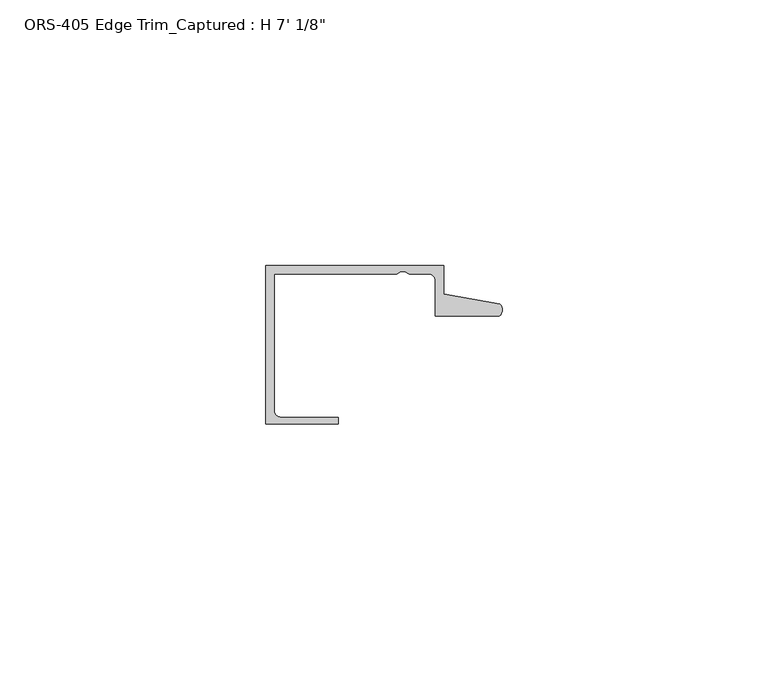
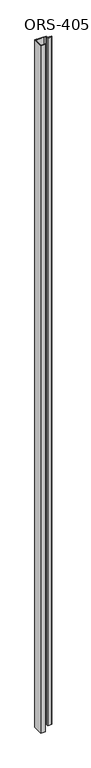
"""IFC4 building model written with IfcOpenShell, lengths in millimetres: proxy geometry."""

import ifcopenshell
import ifcopenshell.guid

model = None  # the IFC model being written
_history = None  # IfcOwnerHistory: only IFC2X3 demands one
_inside = {}  # id of a spatial element -> (the spatial element, [elements in it])
_under = {}  # id of a project, library or spatial element -> (it, [spatial elements below it])
_declared = {}  # id of a project -> (the project, [libraries it declares])
_typed = {}  # id of a type object -> (the type object, [elements of that type])
_made_of = {}  # id of a material, layer set ... -> (it, [elements and type objects made of it])


def new_model(schema):
    """Start an empty IFC model of exactly this schema.

    Asked for "IFC4X3", IfcOpenShell would pick the latest addendum, in which some entities
    have other attributes; the version numbers below select the first issue.
    IFC2X3 requires an IfcOwnerHistory on every rooted entity: one is made here for all.
    """
    global model, _history
    if schema == "IFC4X3":
        model = ifcopenshell.file(schema_version=(4, 3, 0, 0))
    else:
        model = ifcopenshell.file(schema=schema)
    _inside.clear()
    _under.clear()
    _declared.clear()
    _typed.clear()
    _made_of.clear()
    _history = None
    if model.schema == "IFC2X3":
        org = make("IfcOrganization", Name="unknown")
        user = make(
            "IfcPersonAndOrganization",
            ThePerson=make("IfcPerson", FamilyName="unknown"),
            TheOrganization=org,
        )
        app = make(
            "IfcApplication",
            ApplicationDeveloper=org,
            Version="unknown",
            ApplicationFullName="unknown",
            ApplicationIdentifier="unknown",
        )
        _history = make(
            "IfcOwnerHistory",
            OwningUser=user,
            OwningApplication=app,
            ChangeAction="ADDED",
            CreationDate=0,
        )
    return model


def make(cls, **values):
    """One entity of the class cls with the attributes given. An attribute that is None is left unset."""
    return model.create_entity(
        cls, **{name: value for name, value in values.items() if value is not None}
    )


def rooted(cls, **values):
    """An entity with a GlobalId (a new one), such as an element, a storey or a relation."""
    return make(cls, GlobalId=ifcopenshell.guid.new(), OwnerHistory=_history, **values)


def si_unit(unit_type, name, prefix=None):
    """IfcSIUnit, for example si_unit("LENGTHUNIT", "METRE", prefix="MILLI")."""
    return make("IfcSIUnit", UnitType=unit_type, Prefix=prefix, Name=name)


def assignment(units):
    """IfcUnitAssignment: the units of a project."""
    return None if units is None else make("IfcUnitAssignment", Units=units)


def point(xyz):
    """IfcCartesianPoint."""
    return None if xyz is None else make("IfcCartesianPoint", Coordinates=xyz)


def direction(xyz):
    """IfcDirection."""
    return None if xyz is None else make("IfcDirection", DirectionRatios=xyz)


def frame(location, z_axis=None, x_axis=None):
    """IfcAxis2Placement3D, a coordinate frame: its origin and axes. An axis left out is left unset."""
    return make(
        "IfcAxis2Placement3D",
        Location=point(location),
        Axis=direction(z_axis),
        RefDirection=direction(x_axis),
    )


def frame_2d(location, x_axis=None):
    """IfcAxis2Placement2D, a coordinate frame in the plane: its origin and x axis."""
    return make(
        "IfcAxis2Placement2D", Location=point(location), RefDirection=direction(x_axis)
    )


def origin():
    """The frame at (0, 0, 0) with its axes left unset."""
    return frame((0.0, 0.0, 0.0))


def origin_with_axes():
    """The frame at (0, 0, 0) with the z axis (0, 0, 1) and the x axis (1, 0, 0) written out."""
    return frame((0.0, 0.0, 0.0), z_axis=(0.0, 0.0, 1.0), x_axis=(1.0, 0.0, 0.0))


def place(relative_to, where):
    """IfcLocalPlacement: puts the frame where relative to a parent placement (None: the world)."""
    return make(
        "IfcLocalPlacement", PlacementRelTo=relative_to, RelativePlacement=where
    )


def context(
    kind, dimensions, precision=None, world=None, true_north=None, identifier=None
):
    """IfcGeometricRepresentationContext, for example the 3D "Model" context."""
    return make(
        "IfcGeometricRepresentationContext",
        ContextIdentifier=identifier,
        ContextType=kind,
        CoordinateSpaceDimension=dimensions,
        Precision=precision,
        WorldCoordinateSystem=world,
        TrueNorth=true_north,
    )


def project(units=None, contexts=None):
    """IfcProject with its units and contexts."""
    return rooted(
        "IfcProject",
        Name="project",
        RepresentationContexts=contexts,
        UnitsInContext=assignment(units),
    )


def spatial(cls, under=None, at=None, **own):
    """A site, building, storey or space (cls), placed at a placement, below another one or the project."""
    s = rooted(cls, ObjectPlacement=at, **own)
    if under is not None:
        _under.setdefault(under.id(), (under, []))[1].append(s)
    return s


def polyline(points):
    """IfcPolyline through the points."""
    return make("IfcPolyline", Points=[point(p) for p in points])


def circle_curve(where, radius):
    """IfcCircle in the frame where."""
    return make("IfcCircle", Position=where, Radius=radius)


def trimmed(basis, trim1, trim2, sense, master):
    """IfcTrimmedCurve: the piece of a basis curve between two trims."""
    return make(
        "IfcTrimmedCurve",
        BasisCurve=basis,
        Trim1=trim1,
        Trim2=trim2,
        SenseAgreement=sense,
        MasterRepresentation=master,
    )


def segment(curve, same_sense, transition):
    """IfcCompositeCurveSegment."""
    return make(
        "IfcCompositeCurveSegment",
        Transition=transition,
        SameSense=same_sense,
        ParentCurve=curve,
    )


def composite_curve(segments, self_intersect=None):
    """IfcCompositeCurve: segments joined end to end."""
    return make("IfcCompositeCurve", Segments=segments, SelfIntersect=self_intersect)


def outline(outer, holes=None, kind="AREA"):
    """IfcArbitraryClosedProfileDef: a profile drawn as a closed curve; with holes, ...WithVoids."""
    if holes is None:
        return make("IfcArbitraryClosedProfileDef", ProfileType=kind, OuterCurve=outer)
    return make(
        "IfcArbitraryProfileDefWithVoids",
        ProfileType=kind,
        OuterCurve=outer,
        InnerCurves=holes,
    )


def extrude(swept, where, along, depth):
    """IfcExtrudedAreaSolid: the profile swept, set in the frame where, extruded along a direction by depth."""
    return make(
        "IfcExtrudedAreaSolid",
        SweptArea=swept,
        Position=where,
        ExtrudedDirection=direction(along),
        Depth=depth,
    )


def shape(context_of_items, identifier, shape_type, items):
    """IfcShapeRepresentation: the items that make up one representation, for example the "Body"."""
    return make(
        "IfcShapeRepresentation",
        ContextOfItems=context_of_items,
        RepresentationIdentifier=identifier,
        RepresentationType=shape_type,
        Items=items,
    )


def source(mapping_origin, context_of_items, identifier, shape_type, items):
    """IfcRepresentationMap: a shape defined once, which mapped items show again and again."""
    return make(
        "IfcRepresentationMap",
        MappingOrigin=mapping_origin,
        MappedRepresentation=shape(context_of_items, identifier, shape_type, items),
    )


def transform(
    local_origin,
    x_axis=None,
    y_axis=None,
    z_axis=None,
    scale=None,
    scale2=None,
    scale3=None,
    uniform=True,
):
    """IfcCartesianTransformationOperator3D, or its non-uniform kind. x_axis, y_axis, z_axis: its Axis1, 2, 3."""
    if uniform:
        return make(
            "IfcCartesianTransformationOperator3D",
            Axis1=direction(x_axis),
            Axis2=direction(y_axis),
            LocalOrigin=point(local_origin),
            Scale=scale,
            Axis3=direction(z_axis),
        )
    return make(
        "IfcCartesianTransformationOperator3DnonUniform",
        Axis1=direction(x_axis),
        Axis2=direction(y_axis),
        LocalOrigin=point(local_origin),
        Scale=scale,
        Axis3=direction(z_axis),
        Scale2=scale2,
        Scale3=scale3,
    )


def mapped(mapping_source, mapping_target):
    """IfcMappedItem: shows the shape of a source again, moved by a transform."""
    return make(
        "IfcMappedItem", MappingSource=mapping_source, MappingTarget=mapping_target
    )


def made_of(thing, what):
    """Note that an element or type object is made of a material, layer set ...; save() writes the relation."""
    if what is not None:
        _made_of.setdefault(what.id(), (what, []))[1].append(thing)
    return thing


def element(
    cls,
    number,
    at=None,
    inside=None,
    cuts=None,
    type_object=None,
    material=None,
    context=None,
    identifier="Body",
    shape_type=None,
    held_by="IfcProductDefinitionShape",
    body=None,
    shapes=None,
    **own,
):
    """One element of the class cls, such as IfcWall. Its Tag is "e" and its number.

    at: its placement. inside: the storey or other place that contains it. cuts: it is an
    opening in that element (IfcRelVoidsElement). A single representation is given by context,
    identifier, shape_type and body (its items); several are given by shapes. held_by: the class
    of the entity that holds the representations. save() writes the other relations.
    """
    e = rooted(cls, Tag="e%d" % number, ObjectPlacement=at, **own)
    if body is not None:
        shapes = [shape(context, identifier, shape_type, body)]
    if shapes is not None:
        e.Representation = make(held_by, Representations=shapes)
    if inside is not None:
        _inside.setdefault(inside.id(), (inside, []))[1].append(e)
    if cuts is not None:
        rooted(
            "IfcRelVoidsElement", RelatingBuildingElement=cuts, RelatedOpeningElement=e
        )
    if type_object is not None:
        _typed.setdefault(type_object.id(), (type_object, []))[1].append(e)
    return made_of(e, material)


def aggregate(whole, parts):
    """IfcRelAggregates: a whole, such as a stair, and the parts it consists of."""
    return rooted("IfcRelAggregates", RelatingObject=whole, RelatedObjects=parts)


def save(model, path):
    """Write the relations noted so far, then the file.

    IfcRelAggregates (storeys below a building ...), IfcRelContainedInSpatialStructure (elements
    in a storey), IfcRelDefinesByType, IfcRelAssociatesMaterial and IfcRelDeclares: one each for
    every whole, place, type object, material and project.
    """
    for whole, parts in _under.values():
        aggregate(whole, parts)
    for where, things in _inside.values():
        rooted(
            "IfcRelContainedInSpatialStructure",
            RelatedElements=things,
            RelatingStructure=where,
        )
    for kind, things in _typed.values():
        rooted("IfcRelDefinesByType", RelatedObjects=things, RelatingType=kind)
    for what, things in _made_of.values():
        rooted("IfcRelAssociatesMaterial", RelatedObjects=things, RelatingMaterial=what)
    for by, libraries in _declared.values():
        rooted("IfcRelDeclares", RelatingContext=by, RelatedDefinitions=libraries)
    model.write(path)


def proxy_d4e424b5(model_context):
    return source(origin(), model_context, "Body", "SweptSolid", [
        extrude(outline(composite_curve([segment(trimmed(circle_curve(frame_2d((42.8852152, 11.3526424)), 1.6162393), [point((44.0420567, 12.4813352))], [point((43.9759729, 10.1599659))], False, "CARTESIAN"), True, "CONTINUOUS"), segment(polyline([(43.9759729, 10.1599659), (31.8911698, 10.1599659), (31.8911698, 16.8401659)]), True, "CONTINUOUS"), segment(trimmed(circle_curve(frame_2d((30.6211698, 16.8401659)), 1.27), [point((31.8911698, 16.8401659))], [point((30.6211698, 18.1101659))], True, "CARTESIAN"), True, "CONTINUOUS"), segment(polyline([(30.6211698, 18.1101659), (26.9748, 18.1101659), (26.2000107, 18.5165659), (25.3873893, 18.5165659), (24.6126, 18.1101659), (1.5748, 18.1101659), (1.5748, -7.6200341)]), True, "CONTINUOUS"), segment(trimmed(circle_curve(frame_2d((2.8448, -7.6200341)), 1.27), [point((1.5748, -7.6200341))], [point((2.8448, -8.8900341))], True, "CARTESIAN"), True, "CONTINUOUS"), segment(polyline([(2.8448, -8.8900341), (13.6622233, -8.8900341), (13.6622233, -10.1600341), (0.0, -10.1600341), (0.0, 19.6849659), (33.4659698, 19.6849659), (33.4659698, 14.292309), (44.0420567, 12.4813352)]), True, "CONTINUOUS")], self_intersect=False)), origin_with_axes(), (0.0, 0.0, 1.0), 2136.775),
    ])


if __name__ == "__main__":
    model = new_model("IFC4")
    model_context = context("Model", 3, world=origin())
    ifc_project = project(units=[si_unit("LENGTHUNIT", "METRE", prefix="MILLI")], contexts=[model_context])
    site = spatial("IfcSite", under=ifc_project)
    building = spatial("IfcBuilding", under=site)
    placement = place(None, origin())
    proxy_shape = proxy_d4e424b5(model_context)
    element("IfcBuildingElementProxy", 1, Name="ORS-405 Edge Trim_Captured : H 7' 1/8\"", ObjectType="ORS-405 Edge Trim_Captured : H 7' 1/8\"", at=placement, inside=building, context=model_context, shape_type="MappedRepresentation", body=[
        mapped(proxy_shape, transform((0.0, 0.0, 0.0), x_axis=(1.0, 0.0, 0.0), y_axis=(0.0, 1.0, 0.0), z_axis=(0.0, 0.0, 1.0))),
    ])
    save(model, "model.ifc")
